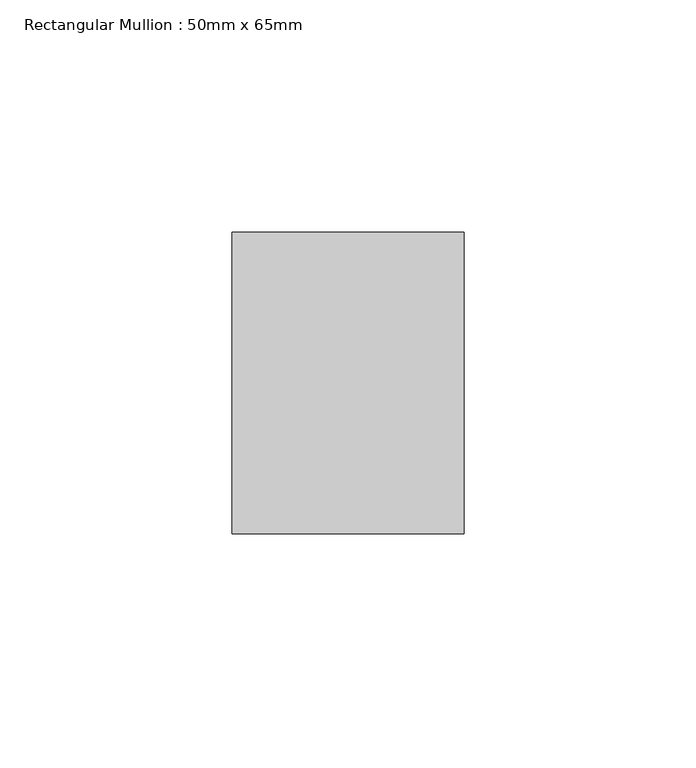
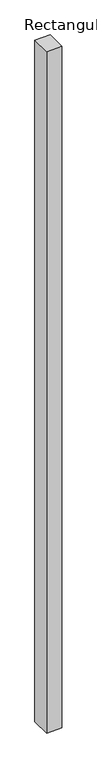
"""IFC4 building model written with IfcOpenShell, lengths in millimetres: member geometry, Rectangular Mullion : 50mm x 65mm."""

from ifc_helpers import new_model, si_unit, frame, origin, place, context, project, spatial, polyline, outline, extrude, source, transform, mapped, element, save


def rectangular_mullion_50mm_x_65mm_f07be6b7(model_context):
    return source(origin(), model_context, "Body", "SweptSolid", [
        extrude(outline(polyline([(25.0, 32.5), (25.0, -32.5), (-25.0, -32.5), (-25.0, 32.5), (25.0, 32.5)])), frame((0.0, 0.0, -2332.1774961), z_axis=(0.0, 0.0, 1.0), x_axis=(1.0, 0.0, 0.0)), (0.0, 0.0, 1.0), 2332.1774961),
    ])


if __name__ == "__main__":
    model = new_model("IFC4")
    model_context = context("Model", 3, world=origin())
    ifc_project = project(units=[si_unit("LENGTHUNIT", "METRE", prefix="MILLI")], contexts=[model_context])
    site = spatial("IfcSite", under=ifc_project)
    building = spatial("IfcBuilding", under=site)
    placement = place(None, origin())
    rectangular_mullion_50mm_x_65mm_shape = rectangular_mullion_50mm_x_65mm_f07be6b7(model_context)
    element("IfcMember", 1, ObjectType="Rectangular Mullion : 50mm x 65mm", at=placement, inside=building, context=model_context, shape_type="MappedRepresentation", body=[
        mapped(rectangular_mullion_50mm_x_65mm_shape, transform((0.0, 0.0, 0.0), x_axis=(1.0, 0.0, 0.0), y_axis=(0.0, 1.0, 0.0), z_axis=(0.0, 0.0, 1.0))),
    ])
    save(model, "model.ifc")
